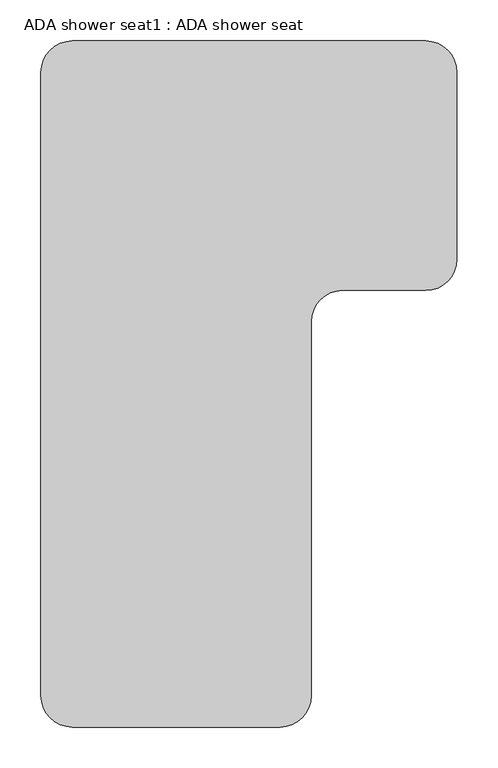
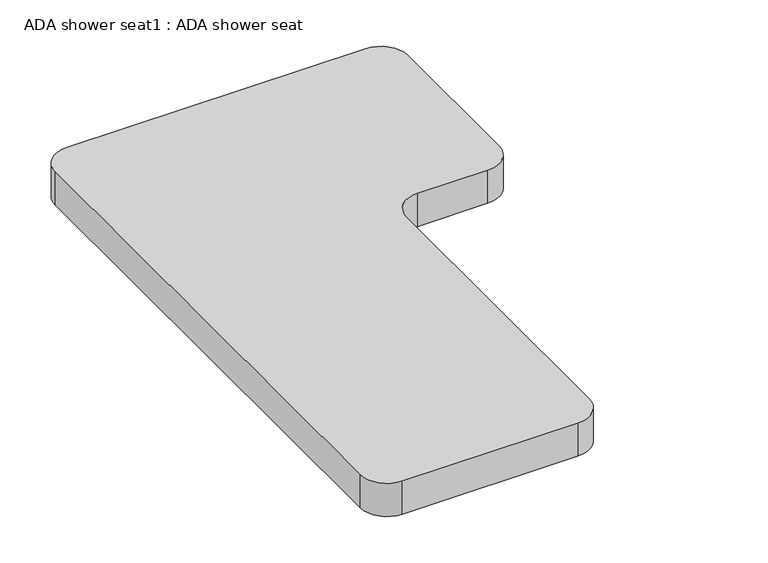
"""IFC4 building model written with IfcOpenShell, lengths in millimetres: proxy geometry, ADA shower seat1 : ADA shower seat."""

from ifc_helpers import new_model, si_unit, point, frame, frame_2d, origin, place, context, project, spatial, polyline, circle_curve, trimmed, segment, composite_curve, outline, extrude, source, transform, mapped, element, save


def ada_shower_seat1_ada_shower_seat_fb1eb913(model_context):
    return source(origin(), model_context, "Body", "SweptSolid", [
        extrude(outline(composite_curve([segment(trimmed(circle_curve(frame_2d((-9672.046679, -25457.15)), 38.1), [point((-9672.046679, -25419.05))], [point((-9633.946679, -25457.15))], False, "CARTESIAN"), True, "CONTINUOUS"), segment(polyline([(-9633.946679, -25457.15), (-9633.946679, -25685.75)]), True, "CONTINUOUS"), segment(trimmed(circle_curve(frame_2d((-9672.046679, -25685.75)), 38.1), [point((-9633.946679, -25685.75))], [point((-9672.046679, -25723.85))], False, "CARTESIAN"), True, "CONTINUOUS"), segment(polyline([(-9672.046679, -25723.85), (-9773.646679, -25723.85)]), True, "CONTINUOUS"), segment(trimmed(circle_curve(frame_2d((-9773.646679, -25761.95)), 38.1), [point((-9773.646679, -25723.85))], [point((-9811.746679, -25761.95))], True, "CARTESIAN"), True, "CONTINUOUS"), segment(polyline([(-9811.746679, -25761.95), (-9811.746679, -26219.15)]), True, "CONTINUOUS"), segment(trimmed(circle_curve(frame_2d((-9849.846679, -26219.15)), 38.1), [point((-9811.746679, -26219.15))], [point((-9849.846679, -26257.25))], False, "CARTESIAN"), True, "CONTINUOUS"), segment(polyline([(-9849.846679, -26257.25), (-10103.846679, -26257.25)]), True, "CONTINUOUS"), segment(trimmed(circle_curve(frame_2d((-10103.846679, -26219.15)), 38.1), [point((-10103.846679, -26257.25))], [point((-10141.946679, -26219.15))], False, "CARTESIAN"), True, "CONTINUOUS"), segment(polyline([(-10141.946679, -26219.15), (-10141.946679, -25457.15)]), True, "CONTINUOUS"), segment(trimmed(circle_curve(frame_2d((-10103.846679, -25457.15)), 38.1), [point((-10141.946679, -25457.15))], [point((-10103.846679, -25419.05))], False, "CARTESIAN"), True, "CONTINUOUS"), segment(polyline([(-10103.846679, -25419.05), (-9672.046679, -25419.05)]), True, "CONTINUOUS")], self_intersect=False)), frame((0.0, 0.0, 406.4), z_axis=(0.0, 0.0, 1.0), x_axis=(1.0, 0.0, 0.0)), (0.0, 0.0, 1.0), 50.8),
    ])


if __name__ == "__main__":
    model = new_model("IFC4")
    model_context = context("Model", 3, world=origin())
    ifc_project = project(units=[si_unit("LENGTHUNIT", "METRE", prefix="MILLI")], contexts=[model_context])
    site = spatial("IfcSite", under=ifc_project)
    building = spatial("IfcBuilding", under=site)
    placement = place(None, origin())
    ada_shower_seat1_ada_shower_seat_shape = ada_shower_seat1_ada_shower_seat_fb1eb913(model_context)
    element("IfcBuildingElementProxy", 1, Name="ADA shower seat1 : ADA shower seat", ObjectType="ADA shower seat1 : ADA shower seat", at=placement, inside=building, context=model_context, shape_type="MappedRepresentation", body=[
        mapped(ada_shower_seat1_ada_shower_seat_shape, transform((0.0, 0.0, 0.0), x_axis=(1.0, 0.0, 0.0), y_axis=(0.0, 1.0, 0.0), z_axis=(0.0, 0.0, 1.0))),
    ])
    save(model, "model.ifc")
